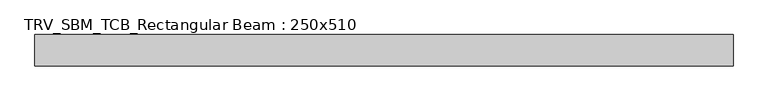
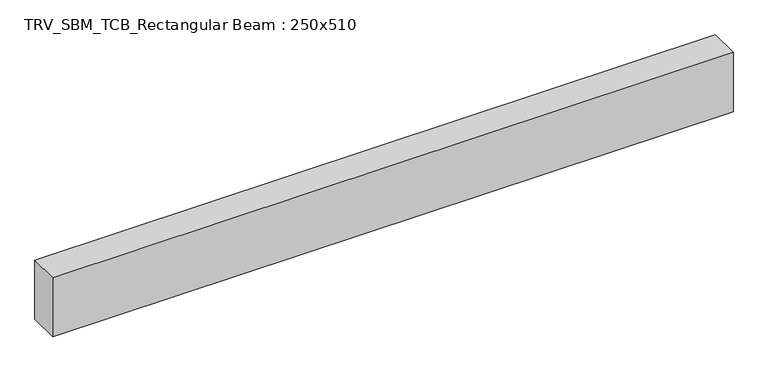
"""IFC4 building model written with IfcOpenShell, lengths in millimetres: beam geometry, TRV_SBM_TCB_Rectangular Beam : 250x510."""

from ifc_helpers import new_model, si_unit, frame, origin, place, context, project, spatial, polyline, outline, extrude, source, transform, mapped, element, save


def trv_sbm_tcb_rectangular_beam_250x510_8c986f40(model_context):
    return source(origin(), model_context, "Body", "SweptSolid", [
        extrude(outline(polyline([(2778.7, 125.0), (2778.7, -125.0), (-2778.7, -125.0), (-2778.7, 125.0), (2778.7, 125.0)])), frame((0.0, 0.0, -255.0), z_axis=(0.0, 0.0, 1.0), x_axis=(1.0, 0.0, 0.0)), (0.0, 0.0, 1.0), 510.0),
    ])


if __name__ == "__main__":
    model = new_model("IFC4")
    model_context = context("Model", 3, world=origin())
    ifc_project = project(units=[si_unit("LENGTHUNIT", "METRE", prefix="MILLI")], contexts=[model_context])
    site = spatial("IfcSite", under=ifc_project)
    building = spatial("IfcBuilding", under=site)
    placement = place(None, origin())
    trv_sbm_tcb_rectangular_beam_250x510_shape = trv_sbm_tcb_rectangular_beam_250x510_8c986f40(model_context)
    element("IfcBeam", 1, ObjectType="TRV_SBM_TCB_Rectangular Beam : 250x510", at=placement, inside=building, context=model_context, shape_type="MappedRepresentation", body=[
        mapped(trv_sbm_tcb_rectangular_beam_250x510_shape, transform((0.0, 0.0, 0.0), x_axis=(1.0, 0.0, 0.0), y_axis=(0.0, 1.0, 0.0), z_axis=(0.0, 0.0, 1.0))),
    ])
    save(model, "model.ifc")
